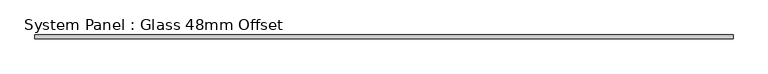
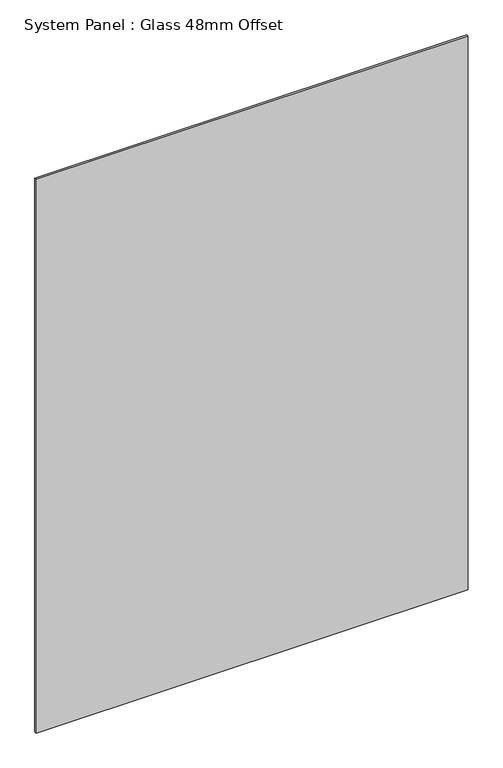
"""IFC4 building model written with IfcOpenShell, lengths in millimetres: plate geometry, System Panel : Glass 48mm Offset."""

from ifc_helpers import new_model, si_unit, origin, origin_with_axes, place, context, project, spatial, polyline, outline, extrude, source, transform, mapped, element, save


def system_panel_glass_48mm_offset_15dd3c11(model_context):
    return source(origin(), model_context, "Body", "SweptSolid", [
        extrude(outline(polyline([(939.5833615, -53.0), (-939.5833615, -53.0), (-939.5833615, -43.0), (939.5833615, -43.0), (939.5833615, -53.0)])), origin_with_axes(), (0.0, 0.0, 1.0), 2545.0),
    ])


if __name__ == "__main__":
    model = new_model("IFC4")
    model_context = context("Model", 3, world=origin())
    ifc_project = project(units=[si_unit("LENGTHUNIT", "METRE", prefix="MILLI")], contexts=[model_context])
    site = spatial("IfcSite", under=ifc_project)
    building = spatial("IfcBuilding", under=site)
    placement = place(None, origin())
    system_panel_glass_48mm_offset_shape = system_panel_glass_48mm_offset_15dd3c11(model_context)
    element("IfcPlate", 1, ObjectType="System Panel : Glass 48mm Offset", at=placement, inside=building, context=model_context, shape_type="MappedRepresentation", body=[
        mapped(system_panel_glass_48mm_offset_shape, transform((0.0, 0.0, 0.0), x_axis=(1.0, 0.0, 0.0), y_axis=(0.0, 1.0, 0.0), z_axis=(0.0, 0.0, 1.0))),
    ])
    save(model, "model.ifc")
